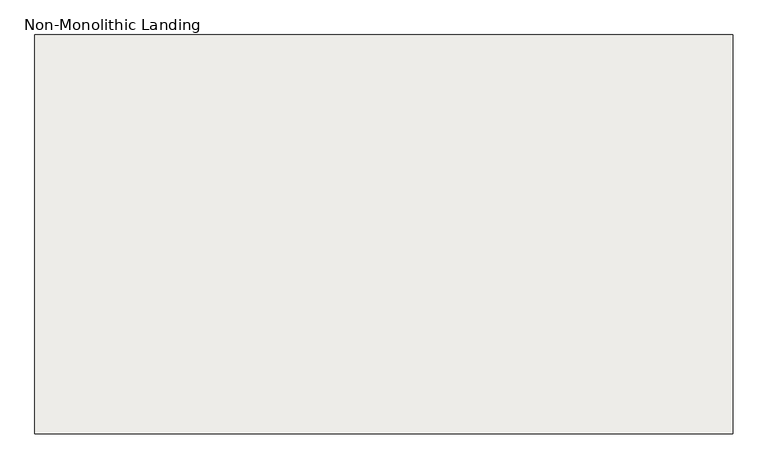
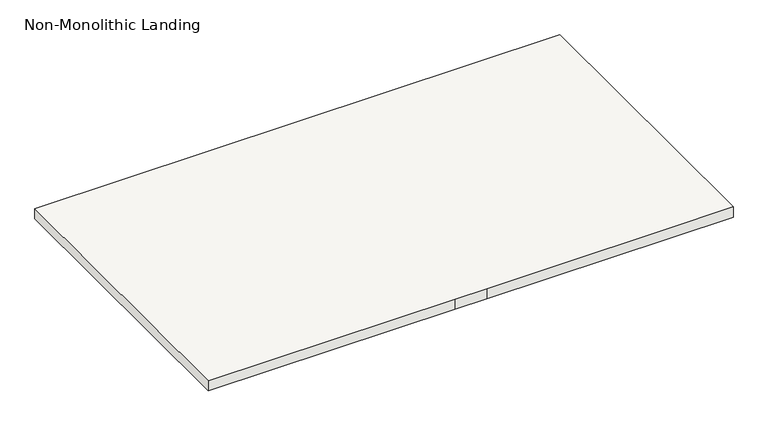
"""IFC4 building model written with IfcOpenShell, lengths in millimetres: slab geometry, Non-Monolithic Landing."""

from ifc_helpers import new_model, si_unit, frame, origin, place, context, project, spatial, polyline, outline, extrude, source, transform, mapped, element, save


def non_monolithic_landing_75d45bc5(model_context):
    return source(origin(), model_context, "Body", "SweptSolid", [
        extrude(outline(polyline([(383.6347234, -9372.365151), (383.6347234, -7972.365151), (2834.355623, -7972.365151), (2834.355623, -9372.365151), (1684.355623, -9372.365151), (1534.355623, -9372.365151), (383.6347234, -9372.365151)])), frame((0.0, 0.0, 16450.0), z_axis=(0.0, 0.0, 1.0), x_axis=(1.0, 0.0, 0.0)), (0.0, 0.0, 1.0), 50.0),
    ])


if __name__ == "__main__":
    model = new_model("IFC4")
    model_context = context("Model", 3, world=origin())
    ifc_project = project(units=[si_unit("LENGTHUNIT", "METRE", prefix="MILLI")], contexts=[model_context])
    site = spatial("IfcSite", under=ifc_project)
    building = spatial("IfcBuilding", under=site)
    placement = place(None, origin())
    non_monolithic_landing_shape = non_monolithic_landing_75d45bc5(model_context)
    element("IfcSlab", 1, ObjectType="Non-Monolithic Landing", at=placement, inside=building, context=model_context, shape_type="MappedRepresentation", body=[
        mapped(non_monolithic_landing_shape, transform((0.0, 0.0, 0.0), x_axis=(1.0, 0.0, 0.0), y_axis=(0.0, 1.0, 0.0), z_axis=(0.0, 0.0, 1.0))),
    ])
    save(model, "model.ifc")
